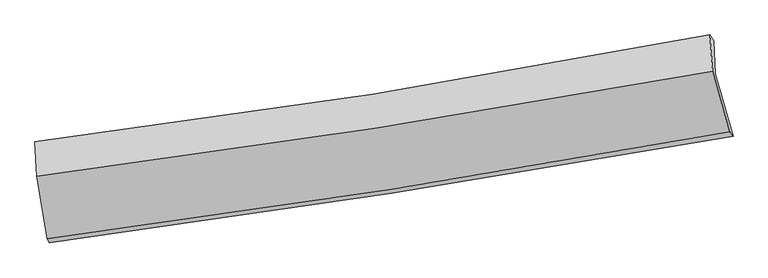
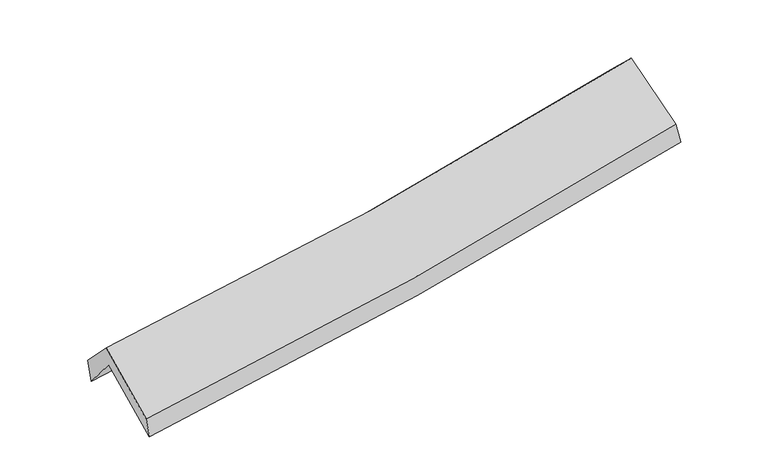
"""IFC4 building model written with IfcOpenShell, lengths in millimetres: proxy geometry."""

from ifc_helpers import new_model, si_unit, frame, origin, place, context, project, spatial, source, transform, mapped, element, save
from ifc_brep_helpers import plane_surface, spline_curve, spline_surface, advanced_brep


def generic_models_53b792a1(model_context):
    return source(origin(), model_context, "Body", "AdvancedBrep", [
        advanced_brep(
        [(-2647.5569048, -2502.3436608, 1469.8800364), (-2732.3515821, -1994.8653733, 1905.562482), (2668.3008089, -1154.2293176, 2387.3821005), (2811.0714065, -1652.4584126, 1961.7831924), (-2745.101643, -1731.8385661, 1585.8979085), (2656.217664, -891.4061389, 2067.7361073), (-2760.0760037, -1697.6810418, 1777.2447494), (2626.0458848, -844.0699274, 2251.0927548), (-2744.2101233, -1970.9534132, 2063.568016), (2647.5566509, -1132.501216, 2530.8819887), (-2660.5626689, -2471.5658128, 1633.7801021), (2785.2826819, -1616.456472, 2125.6888405)],
        [
            (0, 1),
            (1, 2, spline_curve(3, [(-2732.3515821, -1994.8653733, 1905.562482), (-1828.151788567, -1880.33613713, 1952.136414182), (-927.321133577, -1753.263378487, 2015.406414623), (872.936502324, -1473.200923306, 2175.813877639), (1772.323310746, -1320.061663092, 2273.150417069), (2668.3008089, -1154.2293176, 2387.3821005)], [4, 2, 4], [0.0, 9.025040518955171, 18.103726798817824])),
            (2, 3),
            (3, 0, spline_curve(3, [(2811.0714065, -1652.4584126, 1961.7831924), (1904.694588848, -1814.885859748, 1851.645345842), (995.26352621, -1967.103056078, 1755.504377346), (-824.315232461, -2250.277830953, 1591.701584507), (-1734.42694047, -2381.355717558, 1523.874834322), (-2647.5569048, -2502.3436608, 1469.8800364)], [4, 2, 4], [0.0, 9.078686279862653, 18.103726798817824])),
            (1, 4),
            (4, 5, spline_curve(3, [(-2745.101643, -1731.8385661, 1585.8979085), (-1840.601691416, -1621.546139228, 1637.706605907), (-939.565264969, -1496.614931145, 1703.603283847), (860.915801395, -1216.645335012, 1864.048038118), (1760.319144275, -1061.432400388, 1958.764092984), (2656.217664, -891.4061389, 2067.7361073)], [4, 2, 4], [0.0, 8.977414089264123, 18.00819084308234])),
            (5, 2),
            (4, 6),
            (6, 7, spline_curve(3, [(-2760.0760037, -1697.6810418, 1777.2447494), (-1858.684163027, -1585.134041683, 1834.231995824), (-960.465354218, -1457.980481675, 1902.063711692), (834.94644216, -1173.617605321, 2059.883742578), (1732.101596495, -1016.2341272, 2150.001361736), (2626.0458848, -844.0699274, 2251.0927548)], [4, 2, 4], [0.0, 8.966443226843989, 17.986183906317414])),
            (7, 5),
            (6, 8),
            (8, 9, spline_curve(3, [(-2744.2101233, -1970.9534132, 2063.568016), (-1841.925900353, -1854.170522725, 2105.561813115), (-942.791954891, -1726.148509343, 2165.333309438), (854.501198753, -1446.798453463, 2320.892660686), (1752.622844921, -1295.33640149, 2416.892488616), (2647.5566509, -1132.501216, 2530.8819887)], [4, 2, 4], [0.0, 8.957488883240272, 17.968221993578744])),
            (9, 7),
            (8, 10),
            (10, 11, spline_curve(3, [(-2660.5626689, -2471.5658128, 1633.7801021), (-1748.856041748, -2352.197042275, 1684.007003822), (-840.517054197, -2221.49837623, 1749.944685629), (974.804883547, -1936.597021723, 1913.726937155), (1881.747679581, -1782.259240688, 2011.758834453), (2785.2826819, -1616.456472, 2125.6888405)], [4, 2, 4], [0.0, 9.007247564324073, 18.06803512641939])),
            (11, 9),
            (10, 0),
            (3, 11),
        ],
        [
            spline_surface(3, 3, [[(-2647.5569048, -2502.3436608, 1469.8800364), (-1734.426940347, -2381.355717411, 1523.874834261), (-824.315232486, -2250.277830982, 1591.701584483), (995.263526236, -1967.103056048, 1755.50437737), (1904.694588813, -1814.885859748, 1851.645345803), (2811.0714065, -1652.4584126, 1961.7831924)], [(-2675.82179724, -2333.184231623, 1615.107518282), (-1765.668556402, -2214.349190659, 1666.628694256), (-858.650532831, -2084.606346856, 1732.936527837), (954.487851564, -1802.469011762, 1895.607544199), (1860.570829518, -1649.944460895, 1992.147036212), (2763.481207323, -1486.3820476, 2103.649495097)], [(-2704.08668966, -2164.024802477, 1760.335000118), (-1796.910172436, -2047.342663939, 1809.382554206), (-892.985833152, -1918.934862729, 1874.171471121), (913.712176915, -1637.834967475, 2035.710710959), (1816.447070155, -1485.003062043, 2132.648726631), (2715.891008077, -1320.3056826, 2245.515797803)], [(-2732.3515821, -1994.8653733, 1905.562482), (-1828.151788492, -1880.336137187, 1952.136414201), (-927.321133497, -1753.263378603, 2015.406414474), (872.936502243, -1473.200923189, 2175.813877788), (1772.32331086, -1320.06166319, 2273.150417041), (2668.3008089, -1154.2293176, 2387.3821005)]], [4, 4], [4, 2, 4], [0.0, 2.1669894196969697], [0.0, 9.025040518955171, 18.103726798817824]),
            spline_surface(3, 3, [[(-2732.3515821, -1994.8653733, 1905.562482), (-1828.151788492, -1880.336137187, 1952.136414201), (-927.321133497, -1753.263378603, 2015.406414474), (872.936502243, -1473.200923189, 2175.813877788), (1772.32331086, -1320.06166319, 2273.150417041), (2668.3008089, -1154.2293176, 2387.3821005)], [(-2736.601602389, -1907.189770892, 1799.007624172), (-1832.301756077, -1794.072804537, 1847.326478063), (-931.402510675, -1667.713896157, 1911.472037562), (868.929601978, -1387.682393766, 2071.891931233), (1768.32192196, -1233.851908954, 2168.354975742), (2664.273093927, -1066.621591366, 2280.833436119)], [(-2740.851622711, -1819.514168508, 1692.452766328), (-1836.451723695, -1707.809471912, 1742.51654191), (-935.483887849, -1582.164413698, 1807.537660702), (864.922701718, -1302.163864328, 1967.96998473), (1764.32053308, -1147.642154719, 2063.559534388), (2660.245378973, -979.013865134, 2174.284771681)], [(-2745.101643, -1731.8385661, 1585.8979085), (-1840.601691281, -1621.546139262, 1637.706605772), (-939.565265028, -1496.614931252, 1703.60328379), (860.915801454, -1216.645334905, 1864.048038175), (1760.319144181, -1061.432400482, 1958.764093089), (2656.217664, -891.4061389, 2067.7361073)]], [4, 4], [4, 2, 4], [0.0, 1.325399228698391], [0.0, 8.977414089264123, 18.00819084308234]),
            spline_surface(3, 3, [[(-2745.101643, -1731.8385661, 1585.8979085), (-1840.601691281, -1621.546139262, 1637.706605772), (-939.565265028, -1496.614931252, 1703.60328379), (860.915801454, -1216.645334905, 1864.048038175), (1760.319144181, -1061.432400482, 1958.764093089), (2656.217664, -891.4061389, 2067.7361073)], [(-2750.093096566, -1720.452724679, 1649.680188797), (-1846.629181845, -1609.408773408, 1703.215069102), (-946.531961459, -1483.736781383, 1769.756759804), (852.259348391, -1202.302758385, 1929.326606295), (1750.913294922, -1046.366309392, 2022.509849257), (2646.160404246, -875.627401719, 2128.854989793)], [(-2755.084550134, -1709.066883221, 1713.462469103), (-1852.65667241, -1597.271407518, 1768.72353244), (-953.49865789, -1470.858631516, 1835.910235769), (843.602895327, -1187.960181868, 1994.605174366), (1741.507445725, -1031.300218344, 2086.255605446), (2636.103144554, -859.848664581, 2189.973872307)], [(-2760.0760037, -1697.6810418, 1777.2447494), (-1858.684162974, -1585.134041664, 1834.23199577), (-960.465354321, -1457.980481647, 1902.063711783), (834.946442264, -1173.617605349, 2059.883742485), (1732.101596466, -1016.234127253, 2150.001361614), (2626.0458848, -844.0699274, 2251.0927548)]], [4, 4], [4, 2, 4], [0.0, 0.6649865967445079], [0.0, 8.966443226843989, 17.986183906317414]),
            spline_surface(3, 3, [[(-2760.0760037, -1697.6810418, 1777.2447494), (-1858.684162974, -1585.134041664, 1834.23199577), (-960.465354321, -1457.980481647, 1902.063711783), (834.946442264, -1173.617605349, 2059.883742485), (1732.101596466, -1016.234127253, 2150.001361614), (2626.0458848, -844.0699274, 2251.0927548)], [(-2754.787376886, -1788.771832281, 1872.685838263), (-1853.09807542, -1674.812868702, 1924.67526822), (-954.574221201, -1547.369824165, 1989.820244314), (841.464694472, -1264.67788808, 2146.886715186), (1738.942012635, -1109.268218635, 2238.965070606), (2633.216140194, -940.213690275, 2344.355832783)], [(-2749.498750114, -1879.862622719, 1968.126927137), (-1847.511987907, -1764.491695695, 2015.118540682), (-948.683088114, -1636.759166715, 2077.576776926), (847.982946648, -1355.738170843, 2233.889687966), (1745.782428724, -1202.302309993, 2327.928779549), (2640.386395506, -1036.357453125, 2437.618910717)], [(-2744.2101233, -1970.9534132, 2063.568016), (-1841.925900353, -1854.170522733, 2105.561813132), (-942.791954994, -1726.148509233, 2165.333309457), (854.501198857, -1446.798453574, 2320.892660667), (1752.622844894, -1295.336401375, 2416.892488542), (2647.5566509, -1132.501216, 2530.8819887)]], [4, 4], [4, 2, 4], [0.0, 1.2377640086637807], [0.0, 8.957488883240272, 17.968221993578744]),
            spline_surface(3, 3, [[(-2744.2101233, -1970.9534132, 2063.568016), (-1841.925900353, -1854.170522733, 2105.561813132), (-942.791954994, -1726.148509233, 2165.333309457), (854.501198857, -1446.798453574, 2320.892660667), (1752.622844894, -1295.336401375, 2416.892488542), (2647.5566509, -1132.501216, 2530.8819887)], [(-2716.327638521, -2137.82421305, 1920.305378027), (-1810.902614169, -2020.179362527, 1965.043543314), (-908.70032142, -1891.265131584, 2026.870434863), (894.602427073, -1610.064642979, 2185.170752807), (1795.664456455, -1457.644014503, 2281.8479372), (2693.465327882, -1293.819634689, 2395.81760595)], [(-2688.445153679, -2304.69501295, 1777.042740073), (-1779.879327921, -2186.188202371, 1824.525273515), (-874.608687788, -2056.381753873, 1888.407560279), (934.703655348, -1773.330832324, 2049.448844958), (1838.70606807, -1619.951627564, 2146.803385909), (2739.374004918, -1455.138053311, 2260.75322325)], [(-2660.5626689, -2471.5658128, 1633.7801021), (-1748.856041737, -2352.197042165, 1684.007003698), (-840.517054214, -2221.498376224, 1749.944685685), (974.804883564, -1936.597021729, 1913.726937098), (1881.747679631, -1782.259240693, 2011.758834567), (2785.2826819, -1616.456472, 2125.6888405)]], [4, 4], [4, 2, 4], [0.0, 2.136678984842397], [0.0, 9.007247564324073, 18.06803512641939]),
            spline_surface(3, 3, [[(-2660.5626689, -2471.5658128, 1633.7801021), (-1748.856041737, -2352.197042165, 1684.007003698), (-840.517054214, -2221.498376224, 1749.944685685), (974.804883564, -1936.597021729, 1913.726937098), (1881.747679631, -1782.259240693, 2011.758834567), (2785.2826819, -1616.456472, 2125.6888405)], [(-2656.227414197, -2481.825095475, 1579.146746859), (-1744.04634127, -2361.916600589, 1630.629613877), (-835.116446954, -2231.091527796, 1697.196985292), (981.624431139, -1946.765699822, 1860.986083864), (1889.396649355, -1793.134780362, 1958.387671638), (2793.878923429, -1628.457118851, 2071.053624459)], [(-2651.892159503, -2492.084378125, 1524.513391641), (-1739.236640814, -2371.636158987, 1577.252224081), (-829.715839747, -2240.68467941, 1644.449284876), (988.443978661, -1956.934377956, 1808.245230605), (1897.04561909, -1804.010320079, 1905.016508732), (2802.475164971, -1640.457765749, 2016.418408441)], [(-2647.5569048, -2502.3436608, 1469.8800364), (-1734.426940347, -2381.355717411, 1523.874834261), (-824.315232486, -2250.277830982, 1591.701584483), (995.263526236, -1967.103056048, 1755.50437737), (1904.694588813, -1814.885859748, 1851.645345803), (2811.0714065, -1652.4584126, 1961.7831924)]], [4, 4], [4, 2, 4], [0.0, 0.5315880306239016], [0.0, 9.063771465523926, 18.181418912650187]),
            plane_surface(frame((2699.0791828, -1215.1869141, 2220.7608307), z_axis=(0.9765596742082954, 0.18290578941263597, 0.11347543747229405), x_axis=(0.21318627840711177, -0.7491148858966971, -0.6271989305052299))),
            plane_surface(frame((-2714.9764876, -2061.5413113, 1739.3222157), z_axis=(-0.9915132155923697, -0.11698491593093574, -0.05671042893781421), x_axis=(-0.07775255637089201, 0.1839996745574493, 0.9798462429078064))),
        ],
        [
            (0, [[1, 2, 3, 4]]),
            (1, [[5, 6, 7, -2]]),
            (2, [[8, 9, 10, -6]]),
            (3, [[11, 12, 13, -9]]),
            (4, [[14, 15, 16, -12]]),
            (5, [[17, -4, 18, -15]]),
            (6, [[-16, -18, -3, -7, -10, -13]]),
            (7, [[-17, -14, -11, -8, -5, -1]]),
        ],
    ),
    ])


if __name__ == "__main__":
    model = new_model("IFC4")
    model_context = context("Model", 3, world=origin())
    ifc_project = project(units=[si_unit("LENGTHUNIT", "METRE", prefix="MILLI")], contexts=[model_context])
    site = spatial("IfcSite", under=ifc_project)
    building = spatial("IfcBuilding", under=site)
    placement = place(None, origin())
    generic_models_shape = generic_models_53b792a1(model_context)
    element("IfcBuildingElementProxy", 1, Name="Generic Models", at=placement, inside=building, context=model_context, shape_type="MappedRepresentation", body=[
        mapped(generic_models_shape, transform((0.0, 0.0, 0.0), x_axis=(1.0, 0.0, 0.0), y_axis=(0.0, 1.0, 0.0), z_axis=(0.0, 0.0, 1.0))),
    ])
    save(model, "model.ifc")
